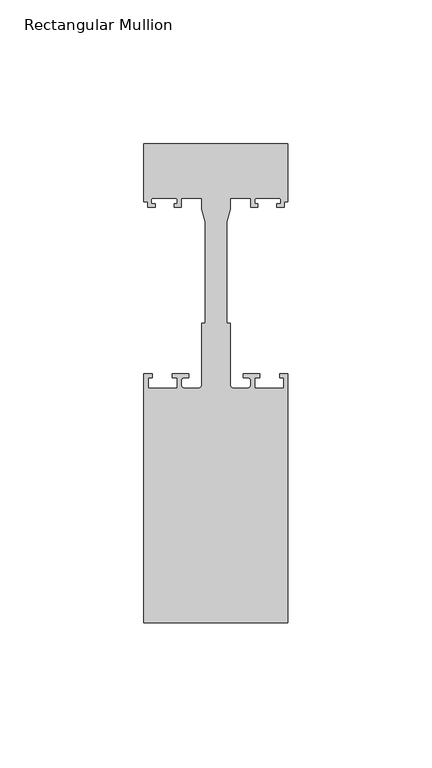
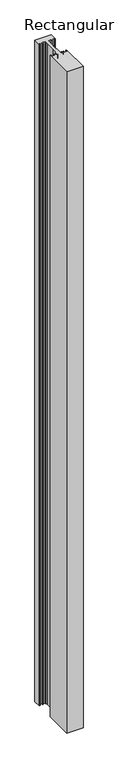
"""IFC4 building model written with IfcOpenShell, lengths in millimetres: member geometry, Rectangular Mullion."""

import ifcopenshell
import ifcopenshell.guid

model = None  # the IFC model being written
_history = None  # IfcOwnerHistory: only IFC2X3 demands one
_inside = {}  # id of a spatial element -> (the spatial element, [elements in it])
_under = {}  # id of a project, library or spatial element -> (it, [spatial elements below it])
_declared = {}  # id of a project -> (the project, [libraries it declares])
_typed = {}  # id of a type object -> (the type object, [elements of that type])
_made_of = {}  # id of a material, layer set ... -> (it, [elements and type objects made of it])


def new_model(schema):
    """Start an empty IFC model of exactly this schema.

    Asked for "IFC4X3", IfcOpenShell would pick the latest addendum, in which some entities
    have other attributes; the version numbers below select the first issue.
    IFC2X3 requires an IfcOwnerHistory on every rooted entity: one is made here for all.
    """
    global model, _history
    if schema == "IFC4X3":
        model = ifcopenshell.file(schema_version=(4, 3, 0, 0))
    else:
        model = ifcopenshell.file(schema=schema)
    _inside.clear()
    _under.clear()
    _declared.clear()
    _typed.clear()
    _made_of.clear()
    _history = None
    if model.schema == "IFC2X3":
        org = make("IfcOrganization", Name="unknown")
        user = make(
            "IfcPersonAndOrganization",
            ThePerson=make("IfcPerson", FamilyName="unknown"),
            TheOrganization=org,
        )
        app = make(
            "IfcApplication",
            ApplicationDeveloper=org,
            Version="unknown",
            ApplicationFullName="unknown",
            ApplicationIdentifier="unknown",
        )
        _history = make(
            "IfcOwnerHistory",
            OwningUser=user,
            OwningApplication=app,
            ChangeAction="ADDED",
            CreationDate=0,
        )
    return model


def make(cls, **values):
    """One entity of the class cls with the attributes given. An attribute that is None is left unset."""
    return model.create_entity(
        cls, **{name: value for name, value in values.items() if value is not None}
    )


def rooted(cls, **values):
    """An entity with a GlobalId (a new one), such as an element, a storey or a relation."""
    return make(cls, GlobalId=ifcopenshell.guid.new(), OwnerHistory=_history, **values)


def si_unit(unit_type, name, prefix=None):
    """IfcSIUnit, for example si_unit("LENGTHUNIT", "METRE", prefix="MILLI")."""
    return make("IfcSIUnit", UnitType=unit_type, Prefix=prefix, Name=name)


def assignment(units):
    """IfcUnitAssignment: the units of a project."""
    return None if units is None else make("IfcUnitAssignment", Units=units)


def point(xyz):
    """IfcCartesianPoint."""
    return None if xyz is None else make("IfcCartesianPoint", Coordinates=xyz)


def direction(xyz):
    """IfcDirection."""
    return None if xyz is None else make("IfcDirection", DirectionRatios=xyz)


def frame(location, z_axis=None, x_axis=None):
    """IfcAxis2Placement3D, a coordinate frame: its origin and axes. An axis left out is left unset."""
    return make(
        "IfcAxis2Placement3D",
        Location=point(location),
        Axis=direction(z_axis),
        RefDirection=direction(x_axis),
    )


def frame_2d(location, x_axis=None):
    """IfcAxis2Placement2D, a coordinate frame in the plane: its origin and x axis."""
    return make(
        "IfcAxis2Placement2D", Location=point(location), RefDirection=direction(x_axis)
    )


def origin():
    """The frame at (0, 0, 0) with its axes left unset."""
    return frame((0.0, 0.0, 0.0))


def place(relative_to, where):
    """IfcLocalPlacement: puts the frame where relative to a parent placement (None: the world)."""
    return make(
        "IfcLocalPlacement", PlacementRelTo=relative_to, RelativePlacement=where
    )


def context(
    kind, dimensions, precision=None, world=None, true_north=None, identifier=None
):
    """IfcGeometricRepresentationContext, for example the 3D "Model" context."""
    return make(
        "IfcGeometricRepresentationContext",
        ContextIdentifier=identifier,
        ContextType=kind,
        CoordinateSpaceDimension=dimensions,
        Precision=precision,
        WorldCoordinateSystem=world,
        TrueNorth=true_north,
    )


def project(units=None, contexts=None):
    """IfcProject with its units and contexts."""
    return rooted(
        "IfcProject",
        Name="project",
        RepresentationContexts=contexts,
        UnitsInContext=assignment(units),
    )


def spatial(cls, under=None, at=None, **own):
    """A site, building, storey or space (cls), placed at a placement, below another one or the project."""
    s = rooted(cls, ObjectPlacement=at, **own)
    if under is not None:
        _under.setdefault(under.id(), (under, []))[1].append(s)
    return s


def polyline(points):
    """IfcPolyline through the points."""
    return make("IfcPolyline", Points=[point(p) for p in points])


def circle_curve(where, radius):
    """IfcCircle in the frame where."""
    return make("IfcCircle", Position=where, Radius=radius)


def trimmed(basis, trim1, trim2, sense, master):
    """IfcTrimmedCurve: the piece of a basis curve between two trims."""
    return make(
        "IfcTrimmedCurve",
        BasisCurve=basis,
        Trim1=trim1,
        Trim2=trim2,
        SenseAgreement=sense,
        MasterRepresentation=master,
    )


def segment(curve, same_sense, transition):
    """IfcCompositeCurveSegment."""
    return make(
        "IfcCompositeCurveSegment",
        Transition=transition,
        SameSense=same_sense,
        ParentCurve=curve,
    )


def composite_curve(segments, self_intersect=None):
    """IfcCompositeCurve: segments joined end to end."""
    return make("IfcCompositeCurve", Segments=segments, SelfIntersect=self_intersect)


def outline(outer, holes=None, kind="AREA"):
    """IfcArbitraryClosedProfileDef: a profile drawn as a closed curve; with holes, ...WithVoids."""
    if holes is None:
        return make("IfcArbitraryClosedProfileDef", ProfileType=kind, OuterCurve=outer)
    return make(
        "IfcArbitraryProfileDefWithVoids",
        ProfileType=kind,
        OuterCurve=outer,
        InnerCurves=holes,
    )


def extrude(swept, where, along, depth):
    """IfcExtrudedAreaSolid: the profile swept, set in the frame where, extruded along a direction by depth."""
    return make(
        "IfcExtrudedAreaSolid",
        SweptArea=swept,
        Position=where,
        ExtrudedDirection=direction(along),
        Depth=depth,
    )


def shape(context_of_items, identifier, shape_type, items):
    """IfcShapeRepresentation: the items that make up one representation, for example the "Body"."""
    return make(
        "IfcShapeRepresentation",
        ContextOfItems=context_of_items,
        RepresentationIdentifier=identifier,
        RepresentationType=shape_type,
        Items=items,
    )


def source(mapping_origin, context_of_items, identifier, shape_type, items):
    """IfcRepresentationMap: a shape defined once, which mapped items show again and again."""
    return make(
        "IfcRepresentationMap",
        MappingOrigin=mapping_origin,
        MappedRepresentation=shape(context_of_items, identifier, shape_type, items),
    )


def transform(
    local_origin,
    x_axis=None,
    y_axis=None,
    z_axis=None,
    scale=None,
    scale2=None,
    scale3=None,
    uniform=True,
):
    """IfcCartesianTransformationOperator3D, or its non-uniform kind. x_axis, y_axis, z_axis: its Axis1, 2, 3."""
    if uniform:
        return make(
            "IfcCartesianTransformationOperator3D",
            Axis1=direction(x_axis),
            Axis2=direction(y_axis),
            LocalOrigin=point(local_origin),
            Scale=scale,
            Axis3=direction(z_axis),
        )
    return make(
        "IfcCartesianTransformationOperator3DnonUniform",
        Axis1=direction(x_axis),
        Axis2=direction(y_axis),
        LocalOrigin=point(local_origin),
        Scale=scale,
        Axis3=direction(z_axis),
        Scale2=scale2,
        Scale3=scale3,
    )


def mapped(mapping_source, mapping_target):
    """IfcMappedItem: shows the shape of a source again, moved by a transform."""
    return make(
        "IfcMappedItem", MappingSource=mapping_source, MappingTarget=mapping_target
    )


def made_of(thing, what):
    """Note that an element or type object is made of a material, layer set ...; save() writes the relation."""
    if what is not None:
        _made_of.setdefault(what.id(), (what, []))[1].append(thing)
    return thing


def element(
    cls,
    number,
    at=None,
    inside=None,
    cuts=None,
    type_object=None,
    material=None,
    context=None,
    identifier="Body",
    shape_type=None,
    held_by="IfcProductDefinitionShape",
    body=None,
    shapes=None,
    **own,
):
    """One element of the class cls, such as IfcWall. Its Tag is "e" and its number.

    at: its placement. inside: the storey or other place that contains it. cuts: it is an
    opening in that element (IfcRelVoidsElement). A single representation is given by context,
    identifier, shape_type and body (its items); several are given by shapes. held_by: the class
    of the entity that holds the representations. save() writes the other relations.
    """
    e = rooted(cls, Tag="e%d" % number, ObjectPlacement=at, **own)
    if body is not None:
        shapes = [shape(context, identifier, shape_type, body)]
    if shapes is not None:
        e.Representation = make(held_by, Representations=shapes)
    if inside is not None:
        _inside.setdefault(inside.id(), (inside, []))[1].append(e)
    if cuts is not None:
        rooted(
            "IfcRelVoidsElement", RelatingBuildingElement=cuts, RelatedOpeningElement=e
        )
    if type_object is not None:
        _typed.setdefault(type_object.id(), (type_object, []))[1].append(e)
    return made_of(e, material)


def aggregate(whole, parts):
    """IfcRelAggregates: a whole, such as a stair, and the parts it consists of."""
    return rooted("IfcRelAggregates", RelatingObject=whole, RelatedObjects=parts)


def save(model, path):
    """Write the relations noted so far, then the file.

    IfcRelAggregates (storeys below a building ...), IfcRelContainedInSpatialStructure (elements
    in a storey), IfcRelDefinesByType, IfcRelAssociatesMaterial and IfcRelDeclares: one each for
    every whole, place, type object, material and project.
    """
    for whole, parts in _under.values():
        aggregate(whole, parts)
    for where, things in _inside.values():
        rooted(
            "IfcRelContainedInSpatialStructure",
            RelatedElements=things,
            RelatingStructure=where,
        )
    for kind, things in _typed.values():
        rooted("IfcRelDefinesByType", RelatedObjects=things, RelatingType=kind)
    for what, things in _made_of.values():
        rooted("IfcRelAssociatesMaterial", RelatedObjects=things, RelatingMaterial=what)
    for by, libraries in _declared.values():
        rooted("IfcRelDeclares", RelatingContext=by, RelatedDefinitions=libraries)
    model.write(path)


def rectangular_mullion_ff5f51a2(model_context):
    return source(origin(), model_context, "Body", "SweptSolid", [
        extrude(outline(composite_curve([segment(polyline([(-25.0, -74.0), (-25.0, 12.5), (-22.2, 12.5), (-22.2, 11.2), (-23.5, 11.2), (-23.5, 7.5), (-13.5, 7.5), (-13.5, 11.2), (-15.2, 11.2), (-15.2, 12.5), (-9.4, 12.5), (-9.4, 11.2), (-11.0, 11.2)]), True, "CONTINUOUS"), segment(trimmed(circle_curve(frame_2d((-11.0, 10.2)), 1.0), [point((-11.0, 11.2))], [point((-12.0, 10.2))], True, "CARTESIAN"), True, "CONTINUOUS"), segment(polyline([(-12.0, 10.2), (-12.0, 8.5)]), True, "CONTINUOUS"), segment(trimmed(circle_curve(frame_2d((-11.0, 8.5)), 1.0), [point((-12.0, 8.5))], [point((-11.0, 7.5))], True, "CARTESIAN"), True, "CONTINUOUS"), segment(polyline([(-11.0, 7.5), (-6.0, 7.5)]), True, "CONTINUOUS"), segment(trimmed(circle_curve(frame_2d((-6.0, 8.5)), 1.0), [point((-6.0, 7.5))], [point((-5.0, 8.5))], True, "CARTESIAN"), True, "CONTINUOUS"), segment(polyline([(-5.0, 8.5), (-5.0, 30.0), (-3.7, 30.0), (-3.7, 65.3046824), (-5.0, 69.6597214), (-5.0, 73.5), (-11.65, 73.5)]), True, "CONTINUOUS"), segment(trimmed(circle_curve(frame_2d((-11.65, 73.0)), 0.5), [point((-11.65, 73.5))], [point((-12.15, 73.0))], True, "CARTESIAN"), True, "CONTINUOUS"), segment(polyline([(-12.15, 73.0), (-12.15, 70.3), (-14.55, 70.3), (-14.55, 71.5), (-13.45, 71.5), (-13.45, 73.0)]), True, "CONTINUOUS"), segment(trimmed(circle_curve(frame_2d((-13.95, 73.0)), 0.5), [point((-13.45, 73.0))], [point((-13.95, 73.5))], True, "CARTESIAN"), True, "CONTINUOUS"), segment(polyline([(-13.95, 73.5), (-21.95, 73.5)]), True, "CONTINUOUS"), segment(trimmed(circle_curve(frame_2d((-21.95, 73.0)), 0.5), [point((-21.95, 73.5))], [point((-22.45, 73.0))], True, "CARTESIAN"), True, "CONTINUOUS"), segment(polyline([(-22.45, 73.0), (-22.45, 71.5), (-21.05, 71.5), (-21.05, 70.3), (-23.75, 70.3), (-23.75, 72.3), (-25.0, 72.3), (-25.0, 92.3), (25.0, 92.3), (25.0, 72.3), (23.75, 72.3), (23.75, 70.3), (21.05, 70.3), (21.05, 71.5), (22.45, 71.5), (22.45, 73.0)]), True, "CONTINUOUS"), segment(trimmed(circle_curve(frame_2d((21.95, 73.0)), 0.5), [point((22.45, 73.0))], [point((21.95, 73.5))], True, "CARTESIAN"), True, "CONTINUOUS"), segment(polyline([(21.95, 73.5), (13.95, 73.5)]), True, "CONTINUOUS"), segment(trimmed(circle_curve(frame_2d((13.95, 73.0)), 0.5), [point((13.95, 73.5))], [point((13.45, 73.0))], True, "CARTESIAN"), True, "CONTINUOUS"), segment(polyline([(13.45, 73.0), (13.45, 71.5), (14.55, 71.5), (14.55, 70.3), (12.15, 70.3), (12.15, 73.0)]), True, "CONTINUOUS"), segment(trimmed(circle_curve(frame_2d((11.65, 73.0)), 0.5), [point((12.15, 73.0))], [point((11.65, 73.5))], True, "CARTESIAN"), True, "CONTINUOUS"), segment(polyline([(11.65, 73.5), (5.0, 73.5), (5.0, 69.6597214), (3.7, 65.3046824), (3.7, 30.0), (5.0, 30.0), (5.0, 8.5)]), True, "CONTINUOUS"), segment(trimmed(circle_curve(frame_2d((6.0, 8.5)), 1.0), [point((5.0, 8.5))], [point((6.0, 7.5))], True, "CARTESIAN"), True, "CONTINUOUS"), segment(polyline([(6.0, 7.5), (11.0, 7.5)]), True, "CONTINUOUS"), segment(trimmed(circle_curve(frame_2d((11.0, 8.5)), 1.0), [point((11.0, 7.5))], [point((12.0, 8.5))], True, "CARTESIAN"), True, "CONTINUOUS"), segment(polyline([(12.0, 8.5), (12.0, 10.2)]), True, "CONTINUOUS"), segment(trimmed(circle_curve(frame_2d((11.0, 10.2)), 1.0), [point((12.0, 10.2))], [point((11.0, 11.2))], True, "CARTESIAN"), True, "CONTINUOUS"), segment(polyline([(11.0, 11.2), (9.4, 11.2), (9.4, 12.5), (15.2, 12.5), (15.2, 11.2), (13.5, 11.2), (13.5, 7.5), (23.5, 7.5), (23.5, 11.2), (22.2, 11.2), (22.2, 12.5), (25.0, 12.5), (25.0, -74.0), (-25.0, -74.0)]), True, "CONTINUOUS")], self_intersect=False)), frame((0.0, 0.0, -2120.3295837), z_axis=(0.0, 0.0, 1.0), x_axis=(1.0, 0.0, 0.0)), (0.0, 0.0, 1.0), 2120.3295837),
    ])


if __name__ == "__main__":
    model = new_model("IFC4")
    model_context = context("Model", 3, world=origin())
    ifc_project = project(units=[si_unit("LENGTHUNIT", "METRE", prefix="MILLI")], contexts=[model_context])
    site = spatial("IfcSite", under=ifc_project)
    building = spatial("IfcBuilding", under=site)
    placement = place(None, origin())
    rectangular_mullion_shape = rectangular_mullion_ff5f51a2(model_context)
    element("IfcMember", 1, ObjectType="Rectangular Mullion", at=placement, inside=building, context=model_context, shape_type="MappedRepresentation", body=[
        mapped(rectangular_mullion_shape, transform((0.0, 0.0, 0.0), x_axis=(1.0, 0.0, 0.0), y_axis=(0.0, 1.0, 0.0), z_axis=(0.0, 0.0, 1.0))),
    ])
    save(model, "model.ifc")
